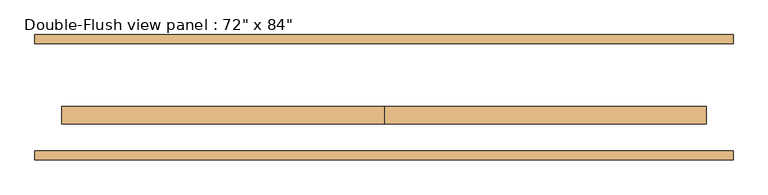
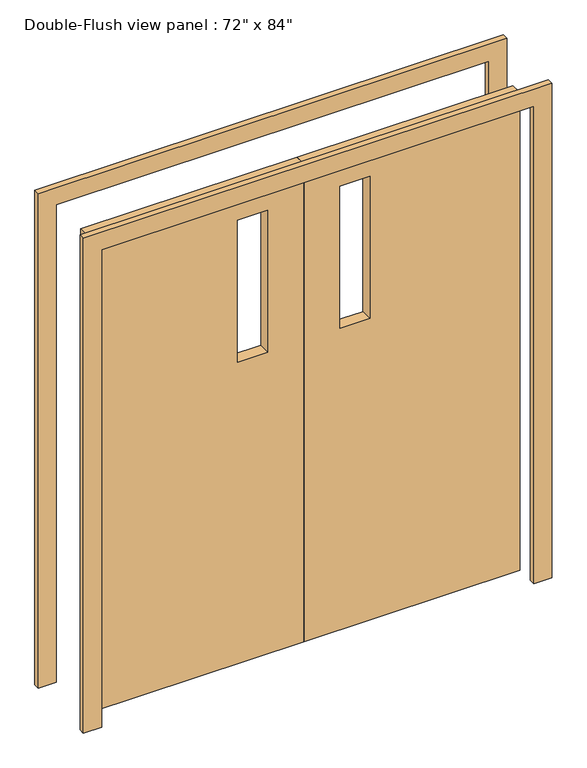
"""IFC4 building model written with IfcOpenShell, lengths in millimetres: door geometry."""

from ifc_helpers import new_model, si_unit, frame, origin, place, context, project, spatial, polyline, outline, extrude, source, transform, mapped, element, save


def door_3f1dee7b(model_context):
    return source(origin(), model_context, "Body", "SweptSolid", [
        extrude(outline(polyline([(2133.6, 0.0), (2133.6, -914.4), (0.0, -914.4), (0.0, 0.0), (2133.6, 0.0)]), holes=[polyline([(1981.2, -279.4), (1981.2, -152.4), (1346.2, -152.4), (1346.2, -279.4), (1981.2, -279.4)])]), frame((0.0, -76.2, 0.0), z_axis=(0.0, 1.0, 0.0), x_axis=(0.0, 0.0, 1.0)), (0.0, 0.0, 1.0), 50.8),
        extrude(outline(polyline([(2133.6, 0.0), (0.0, 0.0), (0.0, 914.4), (2133.6, 914.4), (2133.6, 0.0)]), holes=[polyline([(1981.2, 279.4), (1346.2, 279.4), (1346.2, 152.4), (1981.2, 152.4), (1981.2, 279.4)])]), frame((0.0, -76.2, 0.0), z_axis=(0.0, 1.0, 0.0), x_axis=(0.0, 0.0, 1.0)), (0.0, 0.0, 1.0), 50.8),
        extrude(outline(polyline([(2133.6, -914.4), (2133.6, 914.4), (0.0, 914.4), (0.0, 990.6), (2209.8, 990.6), (2209.8, -990.6), (0.0, -990.6), (0.0, -914.4), (2133.6, -914.4)])), frame((0.0, 152.4, 0.0), z_axis=(0.0, 1.0, 0.0), x_axis=(0.0, 0.0, 1.0)), (0.0, 0.0, 1.0), 25.4),
        extrude(outline(polyline([(2133.6, -914.4), (2133.6, 914.4), (0.0, 914.4), (0.0, 990.6), (2209.8, 990.6), (2209.8, -990.6), (0.0, -990.6), (0.0, -914.4), (2133.6, -914.4)])), frame((0.0, -177.8, 0.0), z_axis=(0.0, 1.0, 0.0), x_axis=(0.0, 0.0, 1.0)), (0.0, 0.0, 1.0), 25.4),
    ])


if __name__ == "__main__":
    model = new_model("IFC4")
    model_context = context("Model", 3, world=origin())
    ifc_project = project(units=[si_unit("LENGTHUNIT", "METRE", prefix="MILLI")], contexts=[model_context])
    site = spatial("IfcSite", under=ifc_project)
    building = spatial("IfcBuilding", under=site)
    placement = place(None, origin())
    door_shape = door_3f1dee7b(model_context)
    element("IfcDoor", 1, ObjectType="Double-Flush view panel : 72\" x 84\"", at=placement, inside=building, context=model_context, shape_type="MappedRepresentation", body=[
        mapped(door_shape, transform((0.0, 0.0, 0.0), x_axis=(1.0, 0.0, 0.0), y_axis=(0.0, 1.0, 0.0), z_axis=(0.0, 0.0, 1.0))),
    ])
    save(model, "model.ifc")
